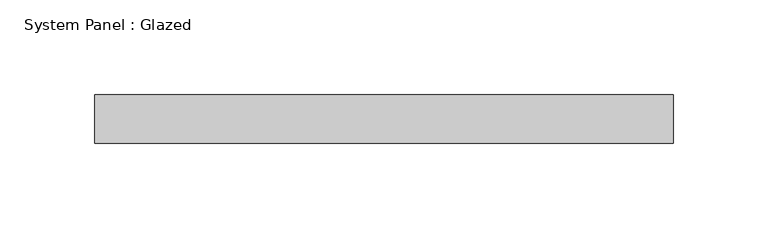
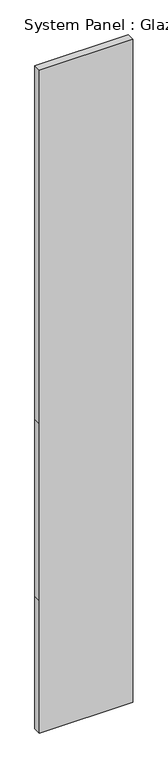
"""IFC4 building model written with IfcOpenShell, lengths in millimetres: plate geometry, System Panel : Glazed."""

from ifc_helpers import new_model, si_unit, frame, origin, place, context, project, spatial, polyline, outline, extrude, source, transform, mapped, element, save


def system_panel_glazed_14f47568(model_context):
    return source(origin(), model_context, "Body", "SweptSolid", [
        extrude(outline(polyline([(0.0, -152.4), (0.0, 152.4), (457.2, 152.4), (1066.8, 152.4), (2286.0, 152.4), (2286.0, -152.4), (1066.8, -152.4), (457.2, -152.4), (0.0, -152.4)])), frame((0.0, -44.45, 0.0), z_axis=(0.0, 1.0, 0.0), x_axis=(0.0, 0.0, 1.0)), (0.0, 0.0, 1.0), 25.4),
    ])


if __name__ == "__main__":
    model = new_model("IFC4")
    model_context = context("Model", 3, world=origin())
    ifc_project = project(units=[si_unit("LENGTHUNIT", "METRE", prefix="MILLI")], contexts=[model_context])
    site = spatial("IfcSite", under=ifc_project)
    building = spatial("IfcBuilding", under=site)
    placement = place(None, origin())
    system_panel_glazed_shape = system_panel_glazed_14f47568(model_context)
    element("IfcPlate", 1, ObjectType="System Panel : Glazed", at=placement, inside=building, context=model_context, shape_type="MappedRepresentation", body=[
        mapped(system_panel_glazed_shape, transform((0.0, 0.0, 0.0), x_axis=(1.0, 0.0, 0.0), y_axis=(0.0, 1.0, 0.0), z_axis=(0.0, 0.0, 1.0))),
    ])
    save(model, "model.ifc")
